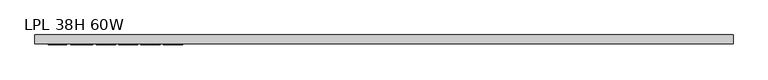
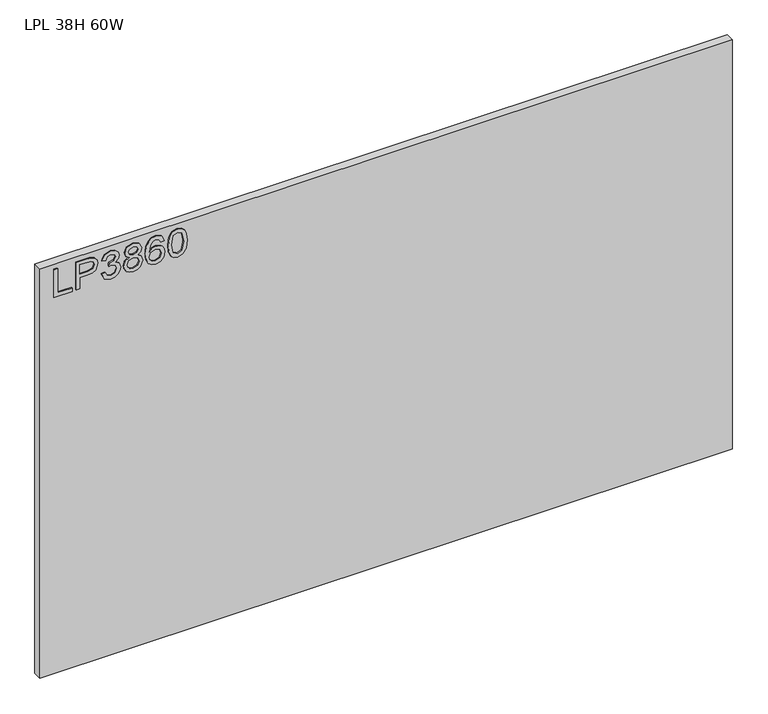
"""IFC4 building model written with IfcOpenShell, lengths in millimetres: furniture geometry, LPL 38H 60W."""

from ifc_helpers import new_model, si_unit, frame, origin, place, context, project, spatial, polyline, outline, extrude, source, transform, mapped, element, save


def lpl_38h_60w_c420a1c7(model_context):
    return source(origin(), model_context, "Body", "SweptSolid", [
        extrude(outline(polyline([(1893.8772502, 29.4553512), (1893.8772502, 69.3239493), (1901.8509698, 69.3239493), (1901.8509698, 37.4290708), (1957.6670071, 37.4290708), (1957.6670071, 29.4553512), (1893.8772502, 29.4553512)])), frame((0.0, -21.68525, 0.0), z_axis=(0.0, 1.0, 0.0), x_axis=(0.0, 0.0, 1.0)), (0.0, 0.0, 1.0), 2.38125),
        extrude(outline(polyline([(1893.8772502, 78.2943838), (1893.8772502, 86.2681034), (1919.791839, 86.2681034), (1919.791839, 102.4802951), (1921.2012562, 113.8081941), (1925.4295079, 121.0051769), (1939.2122069, 126.1367015), (1947.9101022, 124.2367137), (1954.0772759, 119.2142047), (1957.059634, 111.4663033), (1957.6670071, 101.9352166), (1957.6670071, 78.2943838), (1893.8772502, 78.2943838)]), holes=[polyline([(1927.7655586, 86.2681034), (1949.6932875, 86.2681034), (1949.6932875, 102.7606212), (1949.148209, 110.7343408), (1945.5351173, 116.1150442), (1938.9318808, 118.1629819), (1930.6934087, 114.6900533), (1927.7655586, 102.9475052), (1927.7655586, 86.2681034)])]), frame((0.0, -21.68525, 0.0), z_axis=(0.0, 1.0, 0.0), x_axis=(0.0, 0.0, 1.0)), (0.0, 0.0, 1.0), 2.38125),
        extrude(outline(polyline([(1910.8214044, 134.1104212), (1897.8796837, 140.4489053), (1892.8805352, 154.434062), (1894.3444603, 162.9567535), (1898.7362356, 169.8675701), (1905.2304565, 174.4462294), (1913.0017183, 175.9724491), (1923.3737833, 172.9200096), (1928.8245682, 164.2299011), (1934.1040427, 170.770843), (1941.4548155, 172.9823043), (1949.4986166, 170.6540405), (1955.4789063, 163.9262145), (1957.6670071, 154.3094726), (1953.2285109, 141.6325043), (1940.722853, 135.1071361), (1939.726138, 143.0808557), (1947.2015001, 146.9898472), (1949.6932875, 154.5897987), (1947.2248607, 162.0963082), (1940.9876054, 165.0085847), (1933.948306, 160.9905775), (1931.7524184, 150.6652336), (1923.7786988, 149.7775343), (1924.6508243, 155.3684822), (1921.3881402, 164.4323588), (1913.1418814, 167.9987295), (1904.3894782, 164.4012115), (1900.8542549, 154.7143881), (1903.4239106, 146.4837029), (1911.8181193, 142.0841408), (1910.8214044, 134.1104212)])), frame((0.0, -21.68525, 0.0), z_axis=(0.0, 1.0, 0.0), x_axis=(0.0, 0.0, 1.0)), (0.0, 0.0, 1.0), 2.38125),
        extrude(outline(polyline([(1929.0114523, 194.5674125), (1923.2180466, 185.970746), (1912.6590976, 182.9494538), (1904.9014626, 184.3900184), (1898.5415647, 188.7117121), (1894.2957926, 195.3850302), (1892.8805352, 203.8804678), (1894.2899525, 212.3759054), (1898.5182042, 219.0492235), (1912.4410662, 224.8114818), (1922.7586233, 221.9069921), (1929.0114523, 213.4271282), (1933.9405192, 220.4897881), (1941.4548155, 222.8180519), (1952.9481848, 217.5852984), (1957.6670071, 203.7714521), (1953.0572005, 190.0821952), (1941.6728469, 184.9428837), (1933.9638797, 187.3022949), (1929.0114523, 194.5674125)]), holes=[polyline([(1941.4392418, 192.9166033), (1947.2637948, 195.7899457), (1949.6932875, 203.8804678), (1947.209287, 211.9476295), (1941.0810474, 214.8443323), (1935.1630524, 212.0410715), (1932.7491333, 203.9739098), (1935.178626, 195.7432246), (1941.4392418, 192.9166033)]), polyline([(1912.9394237, 190.9231734), (1921.3959271, 194.2948732), (1924.7754137, 203.6780101), (1921.3492061, 213.3336862), (1912.6902449, 216.8377622), (1904.1948073, 213.4427019), (1900.8542549, 203.9427625), (1902.4427693, 196.9657578), (1906.9357734, 192.2547223), (1912.9394237, 190.9231734)])]), frame((0.0, -21.68525, 0.0), z_axis=(0.0, 1.0, 0.0), x_axis=(0.0, 0.0, 1.0)), (0.0, 0.0, 1.0), 2.38125),
        extrude(outline(polyline([(1940.722853, 272.6537995), (1953.1662162, 266.7669518), (1957.6670071, 254.1678519), (1955.848781, 244.9131978), (1950.3941027, 237.7687762), (1939.5353605, 232.5360227), (1923.6541094, 230.7917715), (1909.5287897, 232.3627656), (1900.044424, 237.0757478), (1894.6715074, 244.2805174), (1892.8805352, 253.3268736), (1895.5825672, 263.776807), (1903.3694028, 271.018564), (1914.3722014, 273.6505145), (1922.5444853, 272.2527775), (1929.0581733, 268.0595665), (1934.7425632, 254.5104727), (1932.6634781, 245.7970037), (1926.3016335, 238.7654911), (1940.5126084, 241.0314603), (1947.7621523, 246.4744583), (1949.6932875, 253.6694944), (1946.3760956, 261.6587877), (1939.726138, 264.6800799), (1940.722853, 272.6537995)]), holes=[polyline([(1914.4967908, 238.7654911), (1923.3815702, 242.7289904), (1926.7688436, 252.3768797), (1923.3815702, 262.1493583), (1914.107449, 265.6767948), (1904.4206256, 262.1026373), (1900.8542549, 252.7039268), (1902.5751455, 245.5166776), (1907.5898676, 240.6109712), (1914.4967908, 238.7654911)])]), frame((0.0, -21.68525, 0.0), z_axis=(0.0, 1.0, 0.0), x_axis=(0.0, 0.0, 1.0)), (0.0, 0.0, 1.0), 2.38125),
        extrude(outline(polyline([(1925.2581975, 280.6275191), (1909.7429277, 282.2160336), (1898.954267, 286.981577), (1894.3989682, 293.2733401), (1892.8805352, 301.5585331), (1896.3768244, 313.2309996), (1906.9824945, 320.1690701), (1925.2581975, 322.4895471), (1940.247856, 321.0411957), (1949.6855007, 317.3035146), (1955.6112826, 310.8715885), (1957.6670071, 301.5585331), (1954.1940785, 289.9327876), (1943.6117689, 282.9713566), (1925.2581975, 280.6275191)]), holes=[polyline([(1925.2737712, 288.6012388), (1945.4261016, 292.4635092), (1949.6932875, 301.4650911), (1944.8498758, 310.9027358), (1925.2737712, 314.5158275), (1905.487422, 310.7781464), (1900.8542549, 301.5585331), (1905.4718484, 292.3389198), (1925.2737712, 288.6012388)])]), frame((0.0, -21.68525, 0.0), z_axis=(0.0, 1.0, 0.0), x_axis=(0.0, 0.0, 1.0)), (0.0, 0.0, 1.0), 2.38125),
        extrude(outline(polyline([(1524.0, 0.0), (1524.0, -19.304), (0.0, -19.304), (0.0, 0.0), (1524.0, 0.0)])), frame((0.0, 0.0, 1016.0), z_axis=(0.0, 0.0, 1.0), x_axis=(1.0, 0.0, 0.0)), (0.0, 0.0, 1.0), 952.5),
    ])


if __name__ == "__main__":
    model = new_model("IFC4")
    model_context = context("Model", 3, world=origin())
    ifc_project = project(units=[si_unit("LENGTHUNIT", "METRE", prefix="MILLI")], contexts=[model_context])
    site = spatial("IfcSite", under=ifc_project)
    building = spatial("IfcBuilding", under=site)
    placement = place(None, origin())
    lpl_38h_60w_shape = lpl_38h_60w_c420a1c7(model_context)
    element("IfcFurniture", 1, ObjectType="LPL 38H 60W", at=placement, inside=building, context=model_context, shape_type="MappedRepresentation", body=[
        mapped(lpl_38h_60w_shape, transform((0.0, 0.0, 0.0), x_axis=(1.0, 0.0, 0.0), y_axis=(0.0, 1.0, 0.0), z_axis=(0.0, 0.0, 1.0))),
    ])
    save(model, "model.ifc")
